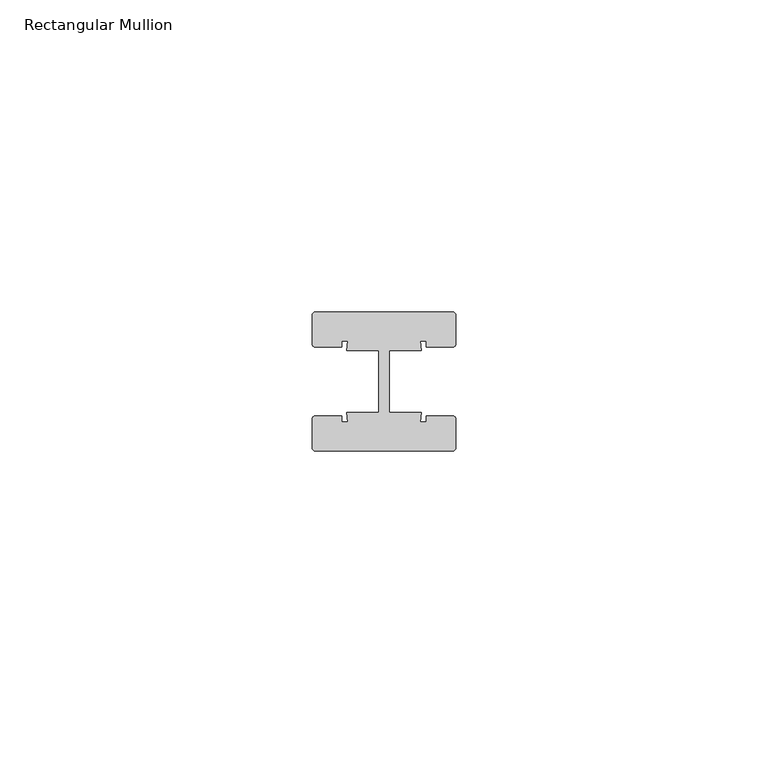
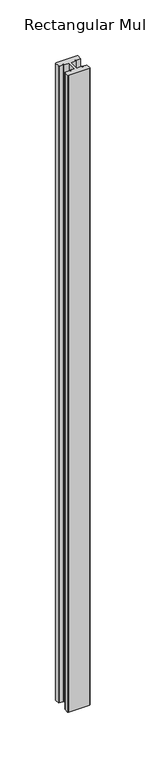
"""IFC4 building model written with IfcOpenShell, lengths in millimetres: member geometry, Rectangular Mullion."""

from ifc_helpers import new_model, si_unit, point, frame, frame_2d, origin, place, context, project, spatial, polyline, circle_curve, trimmed, segment, composite_curve, outline, extrude, source, transform, mapped, element, save


def rectangular_mullion_2a9b05f4(model_context):
    return source(origin(), model_context, "Body", "SweptSolid", [
        extrude(outline(composite_curve([segment(trimmed(circle_curve(frame_2d((-11.0, 10.64)), 0.5), [point((-11.5, 10.64))], [point((-11.0, 11.14))], False, "CARTESIAN"), True, "CONTINUOUS"), segment(polyline([(-11.0, 11.14), (11.0, 11.14)]), True, "CONTINUOUS"), segment(trimmed(circle_curve(frame_2d((11.0, 10.64)), 0.5), [point((11.0, 11.14))], [point((11.5, 10.64))], False, "CARTESIAN"), True, "CONTINUOUS"), segment(polyline([(11.5, 10.64), (11.5, 6.0)]), True, "CONTINUOUS"), segment(trimmed(circle_curve(frame_2d((11.0, 6.0)), 0.5), [point((11.5, 6.0))], [point((11.0, 5.5))], False, "CARTESIAN"), True, "CONTINUOUS"), segment(polyline([(11.0, 5.5), (6.75, 5.5), (6.75, 6.5), (5.7984177, 6.5), (6.0, 5.0), (0.840625, 5.0), (0.840625, -5.0), (6.0, -5.0), (5.7984177, -6.5), (6.75, -6.5), (6.75, -5.5), (11.0, -5.5)]), True, "CONTINUOUS"), segment(trimmed(circle_curve(frame_2d((11.0, -6.0)), 0.5), [point((11.0, -5.5))], [point((11.5, -6.0))], False, "CARTESIAN"), True, "CONTINUOUS"), segment(polyline([(11.5, -6.0), (11.5, -10.64)]), True, "CONTINUOUS"), segment(trimmed(circle_curve(frame_2d((11.0, -10.64)), 0.5), [point((11.5, -10.64))], [point((11.0, -11.14))], False, "CARTESIAN"), True, "CONTINUOUS"), segment(polyline([(11.0, -11.14), (-11.0, -11.14)]), True, "CONTINUOUS"), segment(trimmed(circle_curve(frame_2d((-11.0, -10.64)), 0.5), [point((-11.0, -11.14))], [point((-11.5, -10.64))], False, "CARTESIAN"), True, "CONTINUOUS"), segment(polyline([(-11.5, -10.64), (-11.5, -6.0)]), True, "CONTINUOUS"), segment(trimmed(circle_curve(frame_2d((-11.0, -6.0)), 0.5), [point((-11.5, -6.0))], [point((-11.0, -5.5))], False, "CARTESIAN"), True, "CONTINUOUS"), segment(polyline([(-11.0, -5.5), (-6.75, -5.5), (-6.75, -6.5), (-5.7984177, -6.5), (-6.0, -5.0), (-0.840625, -5.0), (-0.840625, 5.0), (-6.0, 5.0), (-5.7984177, 6.5), (-6.75, 6.5), (-6.75, 5.5), (-11.0, 5.5)]), True, "CONTINUOUS"), segment(trimmed(circle_curve(frame_2d((-11.0, 6.0)), 0.5), [point((-11.0, 5.5))], [point((-11.5, 6.0))], False, "CARTESIAN"), True, "CONTINUOUS"), segment(polyline([(-11.5, 6.0), (-11.5, 10.64)]), True, "CONTINUOUS")], self_intersect=False)), frame((0.0, 0.0, -697.9612132), z_axis=(0.0, 0.0, 1.0), x_axis=(1.0, 0.0, 0.0)), (0.0, 0.0, 1.0), 697.9612132),
    ])


if __name__ == "__main__":
    model = new_model("IFC4")
    model_context = context("Model", 3, world=origin())
    ifc_project = project(units=[si_unit("LENGTHUNIT", "METRE", prefix="MILLI")], contexts=[model_context])
    site = spatial("IfcSite", under=ifc_project)
    building = spatial("IfcBuilding", under=site)
    placement = place(None, origin())
    rectangular_mullion_shape = rectangular_mullion_2a9b05f4(model_context)
    element("IfcMember", 1, ObjectType="Rectangular Mullion", at=placement, inside=building, context=model_context, shape_type="MappedRepresentation", body=[
        mapped(rectangular_mullion_shape, transform((0.0, 0.0, 0.0), x_axis=(1.0, 0.0, 0.0), y_axis=(0.0, 1.0, 0.0), z_axis=(0.0, 0.0, 1.0))),
    ])
    save(model, "model.ifc")
